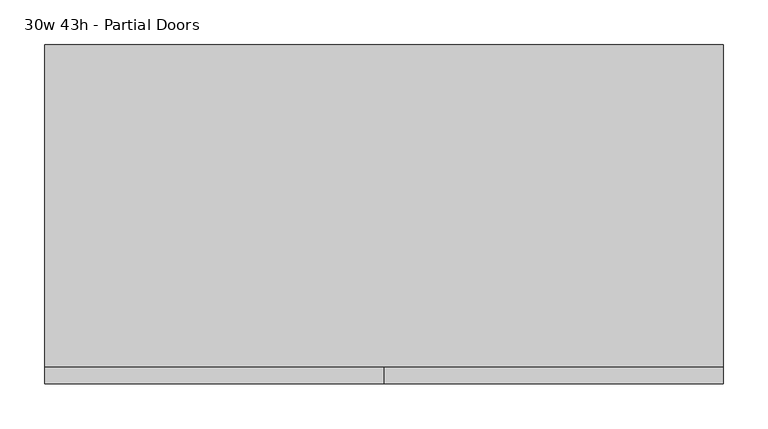
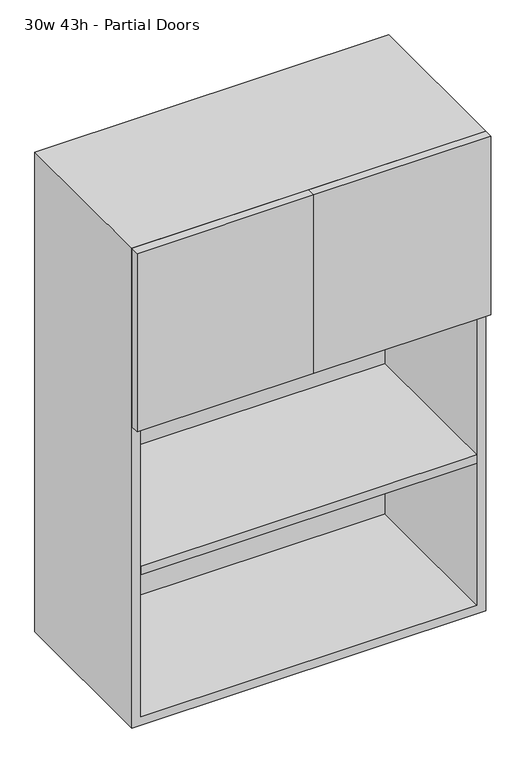
"""IFC4 building model written with IfcOpenShell, lengths in millimetres: furniture geometry, 30w 43h - Partial Doors."""

from ifc_helpers import new_model, si_unit, frame, origin, place, context, project, spatial, polyline, outline, extrude, source, transform, mapped, element, save


def furniture_30w_43h_partial_doors_599fd14d(model_context):
    return source(origin(), model_context, "Body", "SweptSolid", [
        extrude(outline(polyline([(361.9569453, 161.925), (361.9569453, -180.975), (-361.9291641, -180.975), (-361.9291641, 161.925), (361.9569453, 161.925)])), frame((0.0, 0.0, 1422.4), z_axis=(0.0, 0.0, 1.0), x_axis=(1.0, 0.0, 0.0)), (0.0, 0.0, 1.0), 19.05),
        extrude(outline(polyline([(361.9569453, 161.925), (361.9569453, -180.975), (-361.9291641, -180.975), (-361.9291641, 161.925), (361.9569453, 161.925)])), frame((0.0, 0.0, 1079.5), z_axis=(0.0, 0.0, 1.0), x_axis=(1.0, 0.0, 0.0)), (0.0, 0.0, 1.0), 19.05),
        extrude(outline(polyline([(0.0138906, -200.025), (0.0138906, -180.975), (381.0138906, -180.975), (381.0138906, -200.025), (0.0138906, -200.025)])), frame((0.0, 0.0, 1422.4), z_axis=(0.0, 0.0, 1.0), x_axis=(1.0, 0.0, 0.0)), (0.0, 0.0, 1.0), 406.4),
        extrude(outline(polyline([(0.0138906, -200.025), (-380.9861094, -200.025), (-380.9861094, -180.975), (0.0138906, -180.975), (0.0138906, -200.025)])), frame((0.0, 0.0, 1422.4), z_axis=(0.0, 0.0, 1.0), x_axis=(1.0, 0.0, 0.0)), (0.0, 0.0, 1.0), 406.4),
        extrude(outline(polyline([(736.6, -380.9861094), (736.6, 381.0138906), (1828.8, 381.0138906), (1828.8, -380.9861094), (736.6, -380.9861094)]), holes=[polyline([(755.65, -361.9361094), (1809.75, -361.9361094), (1809.75, 361.9569453), (755.65, 361.9569453), (755.65, -361.9361094)])]), frame((0.0, -180.975, 0.0), z_axis=(0.0, 1.0, 0.0), x_axis=(0.0, 0.0, 1.0)), (0.0, 0.0, 1.0), 361.95),
        extrude(outline(polyline([(-361.9291641, 161.925), (-361.9291641, 180.975), (361.9569453, 180.975), (361.9569453, 161.925), (-361.9291641, 161.925)])), frame((0.0, 0.0, 755.65), z_axis=(0.0, 0.0, 1.0), x_axis=(1.0, 0.0, 0.0)), (0.0, 0.0, 1.0), 1054.1),
    ])


if __name__ == "__main__":
    model = new_model("IFC4")
    model_context = context("Model", 3, world=origin())
    ifc_project = project(units=[si_unit("LENGTHUNIT", "METRE", prefix="MILLI")], contexts=[model_context])
    site = spatial("IfcSite", under=ifc_project)
    building = spatial("IfcBuilding", under=site)
    placement = place(None, origin())
    furniture_30w_43h_partial_doors_shape = furniture_30w_43h_partial_doors_599fd14d(model_context)
    element("IfcFurniture", 1, ObjectType="30w 43h - Partial Doors", at=placement, inside=building, context=model_context, shape_type="MappedRepresentation", body=[
        mapped(furniture_30w_43h_partial_doors_shape, transform((0.0, 0.0, 0.0), x_axis=(1.0, 0.0, 0.0), y_axis=(0.0, 1.0, 0.0), z_axis=(0.0, 0.0, 1.0))),
    ])
    save(model, "model.ifc")
